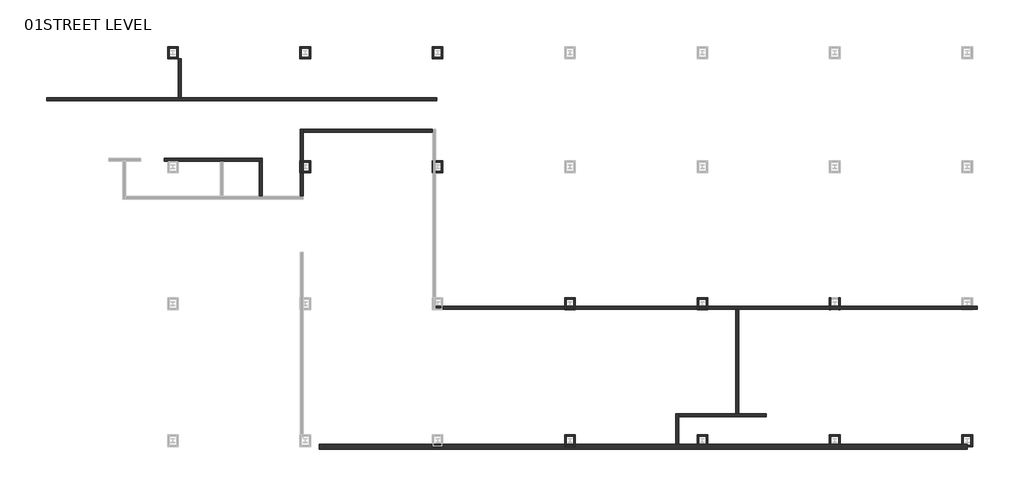
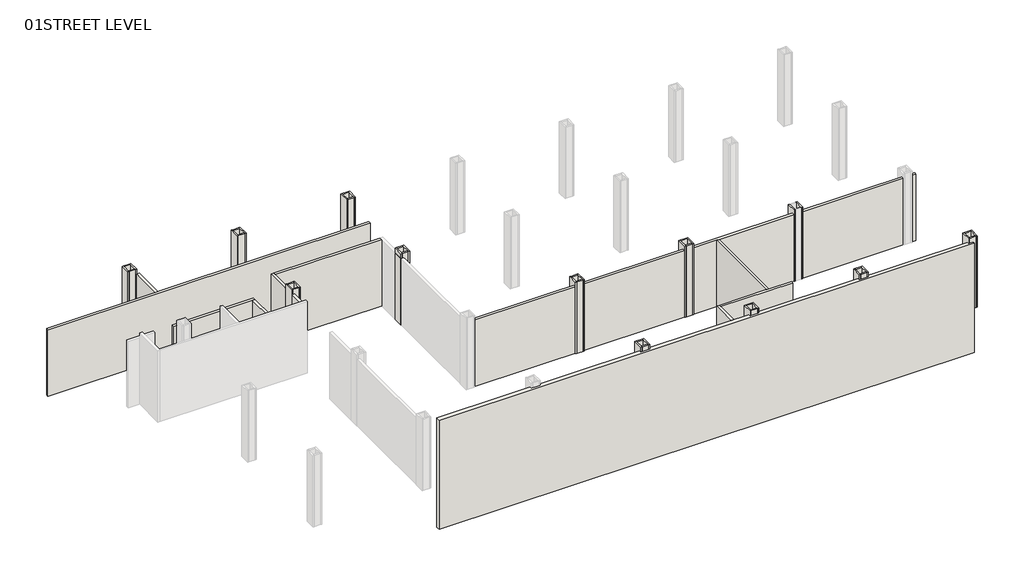
# One storey, part 2 of 4: 57 walls.
"""IFC4 building model written with IfcOpenShell, lengths in millimetres."""

from ifc_helpers import new_model, si_unit, frame, origin, place, context, project, spatial, polyline, outline, extrude, faceted_brep, element, save

model = new_model("IFC4")

# Units and contexts
model_context = context("Model", 3, world=origin())
ifc_project = project(units=[si_unit("LENGTHUNIT", "METRE", prefix="MILLI")], contexts=[model_context])

# Site, building, storey
site = spatial("IfcSite", under=ifc_project)
building = spatial("IfcBuilding", under=site)
storey = spatial("IfcBuildingStorey", under=building, Name="01STREET LEVEL", Elevation=168706.8)

# Walls
placement = place(None, origin())
element("IfcWall", 1, ObjectType="12\" exterior brick on cmu", at=placement, inside=storey, context=model_context, shape_type="SweptSolid", body=[
    extrude(outline(polyline([(95451.0147086, -49289.0532322), (52177.7056082, -49289.0532322), (52177.7056082, -48974.7282322), (95451.0147086, -48974.7282322), (95451.0147086, -49289.0532322)])), frame((0.0, 0.0, 165049.2), z_axis=(0.0, 0.0, 1.0), x_axis=(1.0, 0.0, 0.0)), (0.0, 0.0, 1.0), 9347.2),
])
element("IfcWall", 2, ObjectType="Concrete 8\"", at=placement, inside=storey, context=model_context, shape_type="SweptSolid", body=[
    extrude(outline(polyline([(48384.8147086, -30056.4907322), (41831.6147086, -30056.4907322), (41831.6147086, -29853.2907322), (48384.8147086, -29853.2907322), (48384.8147086, -30056.4907322)])), frame((0.0, 0.0, 168706.8), z_axis=(0.0, 0.0, 1.0), x_axis=(1.0, 0.0, 0.0)), (0.0, 0.0, 1.0), 5689.6),
])
element("IfcWall", 3, ObjectType="Concrete 8\"", at=placement, inside=storey, context=model_context, shape_type="SweptSolid", body=[
    extrude(outline(polyline([(48181.6147086, -32418.6907322), (48181.6147086, -30056.4907322), (48384.8147086, -30056.4907322), (48384.8147086, -32418.6907322), (48181.6147086, -32418.6907322)])), frame((0.0, 0.0, 168706.8), z_axis=(0.0, 0.0, 1.0), x_axis=(1.0, 0.0, 0.0)), (0.0, 0.0, 1.0), 5689.6),
])
element("IfcWall", 4, ObjectType="Concrete 8\"", at=placement, inside=storey, context=model_context, shape_type="SweptSolid", body=[
    extrude(outline(polyline([(50924.8147086, -32418.6907322), (50924.8147086, -27935.5907322), (51128.0147086, -27935.5907322), (51128.0147086, -32418.6907322), (50924.8147086, -32418.6907322)])), frame((0.0, 0.0, 168706.8), z_axis=(0.0, 0.0, 1.0), x_axis=(1.0, 0.0, 0.0)), (0.0, 0.0, 1.0), 5689.6),
])
element("IfcWall", 5, ObjectType="Concrete 8\"", at=placement, inside=storey, context=model_context, shape_type="Brep", body=[
    faceted_brep([(60043.4147086, -25814.6907322, 168706.8), (42974.6147086, -25814.6907322, 168706.8), (42771.4147086, -25814.6907322, 168706.8), (33983.0147086, -25814.6907322, 168706.8), (33983.0147086, -25814.6907322, 174396.4), (42771.4147086, -25814.6907322, 174396.4), (42974.6147086, -25814.6907322, 174396.4), (60043.4147086, -25814.6907322, 174396.4), (60043.4147086, -26017.8907322, 168706.8), (60043.4147086, -26017.8907322, 174396.4), (33983.0147086, -26017.8907322, 174396.4), (33983.0147086, -26017.8907322, 168706.8)], [[[0, 1, 2, 3, 4, 5, 6, 7]], [[8, 9, 10, 11]], [[3, 2, 1, 0, 8, 11]], [[4, 3, 11, 10]], [[7, 6, 5, 4, 10, 9]], [[0, 7, 9, 8]]]),
])
element("IfcWall", 6, ObjectType="Concrete 8\"", at=placement, inside=storey, context=model_context, shape_type="SweptSolid", body=[
    extrude(outline(polyline([(42771.4147086, -25814.6907322), (42771.4147086, -23223.8907322), (42974.6147086, -23223.8907322), (42974.6147086, -25814.6907322), (42771.4147086, -25814.6907322)])), frame((0.0, 0.0, 168706.8), z_axis=(0.0, 0.0, 1.0), x_axis=(1.0, 0.0, 0.0)), (0.0, 0.0, 1.0), 5689.6),
])
element("IfcWall", 7, ObjectType="Concrete 8\"", at=placement, inside=storey, context=model_context, shape_type="SweptSolid", body=[
    extrude(outline(polyline([(51128.0147086, -27935.5907322), (59764.0147086, -27935.5907322), (59764.0147086, -28138.7907322), (51128.0147086, -28138.7907322), (51128.0147086, -27935.5907322)])), frame((0.0, 0.0, 168706.8), z_axis=(0.0, 0.0, 1.0), x_axis=(1.0, 0.0, 0.0)), (0.0, 0.0, 1.0), 5689.6),
])
element("IfcWall", 8, ObjectType="Concrete 8\"", at=placement, inside=storey, context=model_context, shape_type="Brep", body=[
    faceted_brep([(96136.8147086, -39743.4157322, 168706.8), (59967.2147086, -39743.4157322, 168706.8), (59967.2147086, -39743.4157322, 174396.4), (96136.8147086, -39743.4157322, 174396.4), (96136.8147086, -39946.6157322, 168706.8), (96136.8147086, -39946.6157322, 174396.4), (80211.0147086, -39946.6157322, 174396.4), (80007.8147086, -39946.6157322, 174396.4), (59967.2147086, -39946.6157322, 174396.4), (59967.2147086, -39946.6157322, 168706.8), (80007.8147086, -39946.6157322, 168706.8), (80211.0147086, -39946.6157322, 168706.8)], [[[0, 1, 2, 3]], [[4, 5, 6, 7, 8, 9, 10, 11]], [[1, 0, 4, 11, 10, 9]], [[3, 2, 8, 7, 6, 5]], [[0, 3, 5, 4]], [[2, 1, 9, 8]]]),
])
element("IfcWall", 9, ObjectType="Concrete 8\"", at=placement, inside=storey, context=model_context, shape_type="Brep", body=[
    faceted_brep([(76197.8147086, -48974.7282322, 168706.8), (76197.8147086, -47137.9907322, 168706.8), (76197.8147086, -46934.7907322, 168706.8), (76197.8147086, -46934.7907322, 174396.4), (76197.8147086, -47137.9907322, 174396.4), (76197.8147086, -48974.7282322, 174396.4), (75994.6147086, -48974.7282322, 168706.8), (75994.6147086, -48974.7282322, 174396.4), (75994.6147086, -46934.7907322, 174396.4), (75994.6147086, -46934.7907322, 168706.8)], [[[0, 1, 2, 3, 4, 5]], [[6, 7, 8, 9]], [[2, 1, 0, 6, 9]], [[5, 4, 3, 8, 7]], [[0, 5, 7, 6]], [[3, 2, 9, 8]]]),
])
element("IfcWall", 10, ObjectType="Concrete 8\"", at=placement, inside=storey, context=model_context, shape_type="Brep", body=[
    faceted_brep([(76197.8147086, -47137.9907322, 168706.8), (82039.8147086, -47137.9907322, 168706.8), (82039.8147086, -47137.9907322, 174396.4), (76197.8147086, -47137.9907322, 174396.4), (76197.8147086, -46934.7907322, 168706.8), (76197.8147086, -46934.7907322, 174396.4), (80007.8147086, -46934.7907322, 174396.4), (80211.0147086, -46934.7907322, 174396.4), (82039.8147086, -46934.7907322, 174396.4), (82039.8147086, -46934.7907322, 168706.8), (80211.0147086, -46934.7907322, 168706.8), (80007.8147086, -46934.7907322, 168706.8)], [[[0, 1, 2, 3]], [[4, 5, 6, 7, 8, 9, 10, 11]], [[1, 0, 4, 11, 10, 9]], [[2, 1, 9, 8]], [[3, 2, 8, 7, 6, 5]], [[0, 3, 5, 4]]]),
])
element("IfcWall", 11, ObjectType="Concrete 8\"", at=placement, inside=storey, context=model_context, shape_type="SweptSolid", body=[
    extrude(outline(polyline([(80007.8147086, -46934.7907322), (80007.8147086, -39946.6157322), (80211.0147086, -39946.6157322), (80211.0147086, -46934.7907322), (80007.8147086, -46934.7907322)])), frame((0.0, 0.0, 168706.8), z_axis=(0.0, 0.0, 1.0), x_axis=(1.0, 0.0, 0.0)), (0.0, 0.0, 1.0), 5689.6),
])
element("IfcWall", 12, ObjectType="Generic - 4\" Brick", at=placement, inside=storey, context=model_context, shape_type="Brep", body=[
    faceted_brep([(42669.8147086, -22411.0907322, 168706.8), (42669.8147086, -22512.6907322, 168706.8), (42669.8147086, -23122.2907322, 168706.8), (42669.8147086, -23223.8907322, 168706.8), (42669.8147086, -23223.8907322, 174802.8), (42669.8147086, -23122.2907322, 174802.8), (42669.8147086, -22512.6907322, 174802.8), (42669.8147086, -22411.0907322, 174802.8), (42771.4147086, -22411.0907322, 168706.8), (42771.4147086, -22411.0907322, 174802.8), (42771.4147086, -23223.8907322, 174802.8), (42771.4147086, -23223.8907322, 168706.8)], [[[0, 1, 2, 3, 4, 5, 6, 7]], [[8, 9, 10, 11]], [[3, 2, 1, 0, 8, 11]], [[7, 6, 5, 4, 10, 9]], [[4, 3, 11, 10]], [[0, 7, 9, 8]]]),
])
element("IfcWall", 13, ObjectType="Generic - 4\" Brick", at=placement, inside=storey, context=model_context, shape_type="Brep", body=[
    faceted_brep([(42161.8147086, -23223.8907322, 168706.8), (42161.8147086, -23122.2907322, 168706.8), (42161.8147086, -22512.6907322, 168706.8), (42161.8147086, -22411.0907322, 168706.8), (42161.8147086, -22411.0907322, 174802.8), (42161.8147086, -22512.6907322, 174802.8), (42161.8147086, -23122.2907322, 174802.8), (42161.8147086, -23223.8907322, 174802.8), (42060.2147086, -23223.8907322, 168706.8), (42060.2147086, -23223.8907322, 174802.8), (42060.2147086, -22411.0907322, 174802.8), (42060.2147086, -22411.0907322, 168706.8)], [[[0, 1, 2, 3, 4, 5, 6, 7]], [[8, 9, 10, 11]], [[3, 2, 1, 0, 8, 11]], [[7, 6, 5, 4, 10, 9]], [[0, 7, 9, 8]], [[4, 3, 11, 10]]]),
])
element("IfcWall", 14, ObjectType="Generic - 4\" Brick", at=placement, inside=storey, context=model_context, shape_type="SweptSolid", body=[
    extrude(outline(polyline([(42669.8147086, -22512.6907322), (42161.8147086, -22512.6907322), (42161.8147086, -22411.0907322), (42669.8147086, -22411.0907322), (42669.8147086, -22512.6907322)])), frame((0.0, 0.0, 168706.8), z_axis=(0.0, 0.0, 1.0), x_axis=(1.0, 0.0, 0.0)), (0.0, 0.0, 1.0), 6096.0),
])
element("IfcWall", 15, ObjectType="Generic - 4\" Brick", at=placement, inside=storey, context=model_context, shape_type="SweptSolid", body=[
    extrude(outline(polyline([(42161.8147086, -23122.2907322), (42669.8147086, -23122.2907322), (42669.8147086, -23223.8907322), (42161.8147086, -23223.8907322), (42161.8147086, -23122.2907322)])), frame((0.0, 0.0, 168706.8), z_axis=(0.0, 0.0, 1.0), x_axis=(1.0, 0.0, 0.0)), (0.0, 0.0, 1.0), 6096.0),
])
element("IfcWall", 16, ObjectType="Generic - 4\" Brick", at=placement, inside=storey, context=model_context, shape_type="Brep", body=[
    faceted_brep([(51509.0147086, -22411.0907322, 168706.8), (51509.0147086, -22512.6907322, 168706.8), (51509.0147086, -23122.2907322, 168706.8), (51509.0147086, -23223.8907322, 168706.8), (51509.0147086, -23223.8907322, 174802.8), (51509.0147086, -23122.2907322, 174802.8), (51509.0147086, -22512.6907322, 174802.8), (51509.0147086, -22411.0907322, 174802.8), (51610.6147086, -22411.0907322, 168706.8), (51610.6147086, -22411.0907322, 174802.8), (51610.6147086, -23223.8907322, 174802.8), (51610.6147086, -23223.8907322, 168706.8)], [[[0, 1, 2, 3, 4, 5, 6, 7]], [[8, 9, 10, 11]], [[3, 2, 1, 0, 8, 11]], [[7, 6, 5, 4, 10, 9]], [[4, 3, 11, 10]], [[0, 7, 9, 8]]]),
])
element("IfcWall", 17, ObjectType="Generic - 4\" Brick", at=placement, inside=storey, context=model_context, shape_type="Brep", body=[
    faceted_brep([(51001.0147086, -23223.8907322, 168706.8), (51001.0147086, -23122.2907322, 168706.8), (51001.0147086, -22512.6907322, 168706.8), (51001.0147086, -22411.0907322, 168706.8), (51001.0147086, -22411.0907322, 174802.8), (51001.0147086, -22512.6907322, 174802.8), (51001.0147086, -23122.2907322, 174802.8), (51001.0147086, -23223.8907322, 174802.8), (50899.4147086, -23223.8907322, 168706.8), (50899.4147086, -23223.8907322, 174802.8), (50899.4147086, -22411.0907322, 174802.8), (50899.4147086, -22411.0907322, 168706.8)], [[[0, 1, 2, 3, 4, 5, 6, 7]], [[8, 9, 10, 11]], [[3, 2, 1, 0, 8, 11]], [[7, 6, 5, 4, 10, 9]], [[0, 7, 9, 8]], [[4, 3, 11, 10]]]),
])
element("IfcWall", 18, ObjectType="Generic - 4\" Brick", at=placement, inside=storey, context=model_context, shape_type="SweptSolid", body=[
    extrude(outline(polyline([(51509.0147086, -22512.6907322), (51001.0147086, -22512.6907322), (51001.0147086, -22411.0907322), (51509.0147086, -22411.0907322), (51509.0147086, -22512.6907322)])), frame((0.0, 0.0, 168706.8), z_axis=(0.0, 0.0, 1.0), x_axis=(1.0, 0.0, 0.0)), (0.0, 0.0, 1.0), 6096.0),
])
element("IfcWall", 19, ObjectType="Generic - 4\" Brick", at=placement, inside=storey, context=model_context, shape_type="SweptSolid", body=[
    extrude(outline(polyline([(51001.0147086, -23122.2907322), (51509.0147086, -23122.2907322), (51509.0147086, -23223.8907322), (51001.0147086, -23223.8907322), (51001.0147086, -23122.2907322)])), frame((0.0, 0.0, 168706.8), z_axis=(0.0, 0.0, 1.0), x_axis=(1.0, 0.0, 0.0)), (0.0, 0.0, 1.0), 6096.0),
])
element("IfcWall", 20, ObjectType="Generic - 4\" Brick", at=placement, inside=storey, context=model_context, shape_type="Brep", body=[
    faceted_brep([(51509.0147086, -30031.0907322, 168706.8), (51509.0147086, -30132.6907322, 168706.8), (51509.0147086, -30742.2907322, 168706.8), (51509.0147086, -30843.8907322, 168706.8), (51509.0147086, -30843.8907322, 174802.8), (51509.0147086, -30742.2907322, 174802.8), (51509.0147086, -30132.6907322, 174802.8), (51509.0147086, -30031.0907322, 174802.8), (51610.6147086, -30031.0907322, 168706.8), (51610.6147086, -30031.0907322, 174802.8), (51610.6147086, -30843.8907322, 174802.8), (51610.6147086, -30843.8907322, 168706.8)], [[[0, 1, 2, 3, 4, 5, 6, 7]], [[8, 9, 10, 11]], [[3, 2, 1, 0, 8, 11]], [[7, 6, 5, 4, 10, 9]], [[4, 3, 11, 10]], [[0, 7, 9, 8]]]),
])
element("IfcWall", 21, ObjectType="Generic - 4\" Brick", at=placement, inside=storey, context=model_context, shape_type="Brep", body=[
    faceted_brep([(51001.0147086, -30843.8907322, 168706.8), (51001.0147086, -30742.2907322, 168706.8), (51001.0147086, -30132.6907322, 168706.8), (51001.0147086, -30031.0907322, 168706.8), (51001.0147086, -30031.0907322, 174802.8), (51001.0147086, -30132.6907322, 174802.8), (51001.0147086, -30742.2907322, 174802.8), (51001.0147086, -30843.8907322, 174802.8), (50899.4147086, -30843.8907322, 168706.8), (50899.4147086, -30843.8907322, 174802.8), (50899.4147086, -30031.0907322, 174802.8), (50899.4147086, -30031.0907322, 168706.8)], [[[0, 1, 2, 3, 4, 5, 6, 7]], [[8, 9, 10, 11]], [[3, 2, 1, 0, 8, 11]], [[7, 6, 5, 4, 10, 9]], [[0, 7, 9, 8]], [[4, 3, 11, 10]]]),
])
element("IfcWall", 22, ObjectType="Generic - 4\" Brick", at=placement, inside=storey, context=model_context, shape_type="SweptSolid", body=[
    extrude(outline(polyline([(51509.0147086, -30132.6907322), (51001.0147086, -30132.6907322), (51001.0147086, -30031.0907322), (51509.0147086, -30031.0907322), (51509.0147086, -30132.6907322)])), frame((0.0, 0.0, 168706.8), z_axis=(0.0, 0.0, 1.0), x_axis=(1.0, 0.0, 0.0)), (0.0, 0.0, 1.0), 6096.0),
])
element("IfcWall", 23, ObjectType="Generic - 4\" Brick", at=placement, inside=storey, context=model_context, shape_type="SweptSolid", body=[
    extrude(outline(polyline([(51001.0147086, -30742.2907322), (51509.0147086, -30742.2907322), (51509.0147086, -30843.8907322), (51001.0147086, -30843.8907322), (51001.0147086, -30742.2907322)])), frame((0.0, 0.0, 168706.8), z_axis=(0.0, 0.0, 1.0), x_axis=(1.0, 0.0, 0.0)), (0.0, 0.0, 1.0), 6096.0),
])
element("IfcWall", 24, ObjectType="Generic - 4\" Brick", at=placement, inside=storey, context=model_context, shape_type="Brep", body=[
    faceted_brep([(60348.2147086, -22411.0907322, 168706.8), (60348.2147086, -22512.6907322, 168706.8), (60348.2147086, -23122.2907322, 168706.8), (60348.2147086, -23223.8907322, 168706.8), (60348.2147086, -23223.8907322, 174802.8), (60348.2147086, -23122.2907322, 174802.8), (60348.2147086, -22512.6907322, 174802.8), (60348.2147086, -22411.0907322, 174802.8), (60449.8147086, -22411.0907322, 168706.8), (60449.8147086, -22411.0907322, 174802.8), (60449.8147086, -23223.8907322, 174802.8), (60449.8147086, -23223.8907322, 168706.8)], [[[0, 1, 2, 3, 4, 5, 6, 7]], [[8, 9, 10, 11]], [[3, 2, 1, 0, 8, 11]], [[7, 6, 5, 4, 10, 9]], [[4, 3, 11, 10]], [[0, 7, 9, 8]]]),
])
element("IfcWall", 25, ObjectType="Generic - 4\" Brick", at=placement, inside=storey, context=model_context, shape_type="Brep", body=[
    faceted_brep([(59840.2147086, -23223.8907322, 168706.8), (59840.2147086, -23122.2907322, 168706.8), (59840.2147086, -22512.6907322, 168706.8), (59840.2147086, -22411.0907322, 168706.8), (59840.2147086, -22411.0907322, 174802.8), (59840.2147086, -22512.6907322, 174802.8), (59840.2147086, -23122.2907322, 174802.8), (59840.2147086, -23223.8907322, 174802.8), (59738.6147086, -23223.8907322, 168706.8), (59738.6147086, -23223.8907322, 174802.8), (59738.6147086, -22411.0907322, 174802.8), (59738.6147086, -22411.0907322, 168706.8)], [[[0, 1, 2, 3, 4, 5, 6, 7]], [[8, 9, 10, 11]], [[3, 2, 1, 0, 8, 11]], [[7, 6, 5, 4, 10, 9]], [[0, 7, 9, 8]], [[4, 3, 11, 10]]]),
])
element("IfcWall", 26, ObjectType="Generic - 4\" Brick", at=placement, inside=storey, context=model_context, shape_type="SweptSolid", body=[
    extrude(outline(polyline([(60348.2147086, -22512.6907322), (59840.2147086, -22512.6907322), (59840.2147086, -22411.0907322), (60348.2147086, -22411.0907322), (60348.2147086, -22512.6907322)])), frame((0.0, 0.0, 168706.8), z_axis=(0.0, 0.0, 1.0), x_axis=(1.0, 0.0, 0.0)), (0.0, 0.0, 1.0), 6096.0),
])
element("IfcWall", 27, ObjectType="Generic - 4\" Brick", at=placement, inside=storey, context=model_context, shape_type="SweptSolid", body=[
    extrude(outline(polyline([(59840.2147086, -23122.2907322), (60348.2147086, -23122.2907322), (60348.2147086, -23223.8907322), (59840.2147086, -23223.8907322), (59840.2147086, -23122.2907322)])), frame((0.0, 0.0, 168706.8), z_axis=(0.0, 0.0, 1.0), x_axis=(1.0, 0.0, 0.0)), (0.0, 0.0, 1.0), 6096.0),
])
element("IfcWall", 28, ObjectType="Generic - 4\" Brick", at=placement, inside=storey, context=model_context, shape_type="Brep", body=[
    faceted_brep([(60348.2147086, -30031.0907322, 168706.8), (60348.2147086, -30132.6907322, 168706.8), (60348.2147086, -30742.2907322, 168706.8), (60348.2147086, -30843.8907322, 168706.8), (60348.2147086, -30843.8907322, 174802.8), (60348.2147086, -30742.2907322, 174802.8), (60348.2147086, -30132.6907322, 174802.8), (60348.2147086, -30031.0907322, 174802.8), (60449.8147086, -30031.0907322, 168706.8), (60449.8147086, -30031.0907322, 174802.8), (60449.8147086, -30843.8907322, 174802.8), (60449.8147086, -30843.8907322, 168706.8)], [[[0, 1, 2, 3, 4, 5, 6, 7]], [[8, 9, 10, 11]], [[3, 2, 1, 0, 8, 11]], [[7, 6, 5, 4, 10, 9]], [[4, 3, 11, 10]], [[0, 7, 9, 8]]]),
])
element("IfcWall", 29, ObjectType="Generic - 4\" Brick", at=placement, inside=storey, context=model_context, shape_type="Brep", body=[
    faceted_brep([(59840.2147086, -30843.8907322, 168706.8), (59840.2147086, -30742.2907322, 168706.8), (59840.2147086, -30132.6907322, 168706.8), (59840.2147086, -30031.0907322, 168706.8), (59840.2147086, -30031.0907322, 174802.8), (59840.2147086, -30132.6907322, 174802.8), (59840.2147086, -30742.2907322, 174802.8), (59840.2147086, -30843.8907322, 174802.8), (59738.6147086, -30843.8907322, 168706.8), (59738.6147086, -30843.8907322, 174802.8), (59738.6147086, -30031.0907322, 174802.8), (59738.6147086, -30031.0907322, 168706.8)], [[[0, 1, 2, 3, 4, 5, 6, 7]], [[8, 9, 10, 11]], [[3, 2, 1, 0, 8, 11]], [[7, 6, 5, 4, 10, 9]], [[0, 7, 9, 8]], [[4, 3, 11, 10]]]),
])
element("IfcWall", 30, ObjectType="Generic - 4\" Brick", at=placement, inside=storey, context=model_context, shape_type="SweptSolid", body=[
    extrude(outline(polyline([(60348.2147086, -30132.6907322), (59840.2147086, -30132.6907322), (59840.2147086, -30031.0907322), (60348.2147086, -30031.0907322), (60348.2147086, -30132.6907322)])), frame((0.0, 0.0, 168706.8), z_axis=(0.0, 0.0, 1.0), x_axis=(1.0, 0.0, 0.0)), (0.0, 0.0, 1.0), 6096.0),
])
element("IfcWall", 31, ObjectType="Generic - 4\" Brick", at=placement, inside=storey, context=model_context, shape_type="SweptSolid", body=[
    extrude(outline(polyline([(59840.2147086, -30742.2907322), (60348.2147086, -30742.2907322), (60348.2147086, -30843.8907322), (59840.2147086, -30843.8907322), (59840.2147086, -30742.2907322)])), frame((0.0, 0.0, 168706.8), z_axis=(0.0, 0.0, 1.0), x_axis=(1.0, 0.0, 0.0)), (0.0, 0.0, 1.0), 6096.0),
])
element("IfcWall", 32, ObjectType="Generic - 4\" Brick", at=placement, inside=storey, context=model_context, shape_type="Brep", body=[
    faceted_brep([(69187.4147086, -39175.0907322, 168706.8), (69187.4147086, -39276.6907322, 168706.8), (69187.4147086, -39886.2907322, 168706.8), (69187.4147086, -39987.8907322, 168706.8), (69187.4147086, -39987.8907322, 174802.8), (69187.4147086, -39886.2907322, 174802.8), (69187.4147086, -39276.6907322, 174802.8), (69187.4147086, -39175.0907322, 174802.8), (69289.0147086, -39175.0907322, 168706.8), (69289.0147086, -39175.0907322, 174802.8), (69289.0147086, -39987.8907322, 174802.8), (69289.0147086, -39987.8907322, 168706.8)], [[[0, 1, 2, 3, 4, 5, 6, 7]], [[8, 9, 10, 11]], [[3, 2, 1, 0, 8, 11]], [[7, 6, 5, 4, 10, 9]], [[4, 3, 11, 10]], [[0, 7, 9, 8]]]),
])
element("IfcWall", 33, ObjectType="Generic - 4\" Brick", at=placement, inside=storey, context=model_context, shape_type="Brep", body=[
    faceted_brep([(68679.4147086, -39987.8907322, 168706.8), (68679.4147086, -39886.2907322, 168706.8), (68679.4147086, -39276.6907322, 168706.8), (68679.4147086, -39175.0907322, 168706.8), (68679.4147086, -39175.0907322, 174802.8), (68679.4147086, -39276.6907322, 174802.8), (68679.4147086, -39886.2907322, 174802.8), (68679.4147086, -39987.8907322, 174802.8), (68577.8147086, -39987.8907322, 168706.8), (68577.8147086, -39987.8907322, 174802.8), (68577.8147086, -39175.0907322, 174802.8), (68577.8147086, -39175.0907322, 168706.8)], [[[0, 1, 2, 3, 4, 5, 6, 7]], [[8, 9, 10, 11]], [[3, 2, 1, 0, 8, 11]], [[7, 6, 5, 4, 10, 9]], [[0, 7, 9, 8]], [[4, 3, 11, 10]]]),
])
element("IfcWall", 34, ObjectType="Generic - 4\" Brick", at=placement, inside=storey, context=model_context, shape_type="SweptSolid", body=[
    extrude(outline(polyline([(69187.4147086, -39276.6907322), (68679.4147086, -39276.6907322), (68679.4147086, -39175.0907322), (69187.4147086, -39175.0907322), (69187.4147086, -39276.6907322)])), frame((0.0, 0.0, 168706.8), z_axis=(0.0, 0.0, 1.0), x_axis=(1.0, 0.0, 0.0)), (0.0, 0.0, 1.0), 6096.0),
])
element("IfcWall", 35, ObjectType="Generic - 4\" Brick", at=placement, inside=storey, context=model_context, shape_type="SweptSolid", body=[
    extrude(outline(polyline([(68679.4147086, -39886.2907322), (69187.4147086, -39886.2907322), (69187.4147086, -39987.8907322), (68679.4147086, -39987.8907322), (68679.4147086, -39886.2907322)])), frame((0.0, 0.0, 168706.8), z_axis=(0.0, 0.0, 1.0), x_axis=(1.0, 0.0, 0.0)), (0.0, 0.0, 1.0), 6096.0),
])
element("IfcWall", 36, ObjectType="Generic - 4\" Brick", at=placement, inside=storey, context=model_context, shape_type="Brep", body=[
    faceted_brep([(69187.4147086, -48319.0907322, 168706.8), (69187.4147086, -48420.6907322, 168706.8), (69187.4147086, -49030.2907322, 168706.8), (69187.4147086, -49131.8907322, 168706.8), (69187.4147086, -49131.8907322, 174802.8), (69187.4147086, -49030.2907322, 174802.8), (69187.4147086, -48420.6907322, 174802.8), (69187.4147086, -48319.0907322, 174802.8), (69289.0147086, -48319.0907322, 168706.8), (69289.0147086, -48319.0907322, 174802.8), (69289.0147086, -49131.8907322, 174802.8), (69289.0147086, -49131.8907322, 168706.8)], [[[0, 1, 2, 3, 4, 5, 6, 7]], [[8, 9, 10, 11]], [[3, 2, 1, 0, 8, 11]], [[7, 6, 5, 4, 10, 9]], [[4, 3, 11, 10]], [[0, 7, 9, 8]]]),
])
element("IfcWall", 37, ObjectType="Generic - 4\" Brick", at=placement, inside=storey, context=model_context, shape_type="Brep", body=[
    faceted_brep([(68679.4147086, -49131.8907322, 168706.8), (68679.4147086, -49030.2907322, 168706.8), (68679.4147086, -48420.6907322, 168706.8), (68679.4147086, -48319.0907322, 168706.8), (68679.4147086, -48319.0907322, 174802.8), (68679.4147086, -48420.6907322, 174802.8), (68679.4147086, -49030.2907322, 174802.8), (68679.4147086, -49131.8907322, 174802.8), (68577.8147086, -49131.8907322, 168706.8), (68577.8147086, -49131.8907322, 174802.8), (68577.8147086, -48319.0907322, 174802.8), (68577.8147086, -48319.0907322, 168706.8)], [[[0, 1, 2, 3, 4, 5, 6, 7]], [[8, 9, 10, 11]], [[3, 2, 1, 0, 8, 11]], [[7, 6, 5, 4, 10, 9]], [[0, 7, 9, 8]], [[4, 3, 11, 10]]]),
])
element("IfcWall", 38, ObjectType="Generic - 4\" Brick", at=placement, inside=storey, context=model_context, shape_type="SweptSolid", body=[
    extrude(outline(polyline([(69187.4147086, -48420.6907322), (68679.4147086, -48420.6907322), (68679.4147086, -48319.0907322), (69187.4147086, -48319.0907322), (69187.4147086, -48420.6907322)])), frame((0.0, 0.0, 168706.8), z_axis=(0.0, 0.0, 1.0), x_axis=(1.0, 0.0, 0.0)), (0.0, 0.0, 1.0), 6096.0),
])
element("IfcWall", 39, ObjectType="Generic - 4\" Brick", at=placement, inside=storey, context=model_context, shape_type="SweptSolid", body=[
    extrude(outline(polyline([(68679.4147086, -49030.2907322), (69187.4147086, -49030.2907322), (69187.4147086, -49131.8907322), (68679.4147086, -49131.8907322), (68679.4147086, -49030.2907322)])), frame((0.0, 0.0, 168706.8), z_axis=(0.0, 0.0, 1.0), x_axis=(1.0, 0.0, 0.0)), (0.0, 0.0, 1.0), 6096.0),
])
element("IfcWall", 40, ObjectType="Generic - 4\" Brick", at=placement, inside=storey, context=model_context, shape_type="Brep", body=[
    faceted_brep([(78026.6147086, -39175.0907322, 168706.8), (78026.6147086, -39276.6907322, 168706.8), (78026.6147086, -39886.2907322, 168706.8), (78026.6147086, -39987.8907322, 168706.8), (78026.6147086, -39987.8907322, 174802.8), (78026.6147086, -39886.2907322, 174802.8), (78026.6147086, -39276.6907322, 174802.8), (78026.6147086, -39175.0907322, 174802.8), (78128.2147086, -39175.0907322, 168706.8), (78128.2147086, -39175.0907322, 174802.8), (78128.2147086, -39987.8907322, 174802.8), (78128.2147086, -39987.8907322, 168706.8)], [[[0, 1, 2, 3, 4, 5, 6, 7]], [[8, 9, 10, 11]], [[3, 2, 1, 0, 8, 11]], [[7, 6, 5, 4, 10, 9]], [[4, 3, 11, 10]], [[0, 7, 9, 8]]]),
])
element("IfcWall", 41, ObjectType="Generic - 4\" Brick", at=placement, inside=storey, context=model_context, shape_type="Brep", body=[
    faceted_brep([(77518.6147086, -39987.8907322, 168706.8), (77518.6147086, -39886.2907322, 168706.8), (77518.6147086, -39276.6907322, 168706.8), (77518.6147086, -39175.0907322, 168706.8), (77518.6147086, -39175.0907322, 174802.8), (77518.6147086, -39276.6907322, 174802.8), (77518.6147086, -39886.2907322, 174802.8), (77518.6147086, -39987.8907322, 174802.8), (77417.0147086, -39987.8907322, 168706.8), (77417.0147086, -39987.8907322, 174802.8), (77417.0147086, -39175.0907322, 174802.8), (77417.0147086, -39175.0907322, 168706.8)], [[[0, 1, 2, 3, 4, 5, 6, 7]], [[8, 9, 10, 11]], [[3, 2, 1, 0, 8, 11]], [[7, 6, 5, 4, 10, 9]], [[0, 7, 9, 8]], [[4, 3, 11, 10]]]),
])
element("IfcWall", 42, ObjectType="Generic - 4\" Brick", at=placement, inside=storey, context=model_context, shape_type="SweptSolid", body=[
    extrude(outline(polyline([(78026.6147086, -39276.6907322), (77518.6147086, -39276.6907322), (77518.6147086, -39175.0907322), (78026.6147086, -39175.0907322), (78026.6147086, -39276.6907322)])), frame((0.0, 0.0, 168706.8), z_axis=(0.0, 0.0, 1.0), x_axis=(1.0, 0.0, 0.0)), (0.0, 0.0, 1.0), 6096.0),
])
element("IfcWall", 43, ObjectType="Generic - 4\" Brick", at=placement, inside=storey, context=model_context, shape_type="SweptSolid", body=[
    extrude(outline(polyline([(77518.6147086, -39886.2907322), (78026.6147086, -39886.2907322), (78026.6147086, -39987.8907322), (77518.6147086, -39987.8907322), (77518.6147086, -39886.2907322)])), frame((0.0, 0.0, 168706.8), z_axis=(0.0, 0.0, 1.0), x_axis=(1.0, 0.0, 0.0)), (0.0, 0.0, 1.0), 6096.0),
])
element("IfcWall", 44, ObjectType="Generic - 4\" Brick", at=placement, inside=storey, context=model_context, shape_type="Brep", body=[
    faceted_brep([(78026.6147086, -48319.0907322, 168706.8), (78026.6147086, -48420.6907322, 168706.8), (78026.6147086, -49030.2907322, 168706.8), (78026.6147086, -49131.8907322, 168706.8), (78026.6147086, -49131.8907322, 174802.8), (78026.6147086, -49030.2907322, 174802.8), (78026.6147086, -48420.6907322, 174802.8), (78026.6147086, -48319.0907322, 174802.8), (78128.2147086, -48319.0907322, 168706.8), (78128.2147086, -48319.0907322, 174802.8), (78128.2147086, -49131.8907322, 174802.8), (78128.2147086, -49131.8907322, 168706.8)], [[[0, 1, 2, 3, 4, 5, 6, 7]], [[8, 9, 10, 11]], [[3, 2, 1, 0, 8, 11]], [[7, 6, 5, 4, 10, 9]], [[4, 3, 11, 10]], [[0, 7, 9, 8]]]),
])
element("IfcWall", 45, ObjectType="Generic - 4\" Brick", at=placement, inside=storey, context=model_context, shape_type="Brep", body=[
    faceted_brep([(77518.6147086, -49131.8907322, 168706.8), (77518.6147086, -49030.2907322, 168706.8), (77518.6147086, -48420.6907322, 168706.8), (77518.6147086, -48319.0907322, 168706.8), (77518.6147086, -48319.0907322, 174802.8), (77518.6147086, -48420.6907322, 174802.8), (77518.6147086, -49030.2907322, 174802.8), (77518.6147086, -49131.8907322, 174802.8), (77417.0147086, -49131.8907322, 168706.8), (77417.0147086, -49131.8907322, 174802.8), (77417.0147086, -48319.0907322, 174802.8), (77417.0147086, -48319.0907322, 168706.8)], [[[0, 1, 2, 3, 4, 5, 6, 7]], [[8, 9, 10, 11]], [[3, 2, 1, 0, 8, 11]], [[7, 6, 5, 4, 10, 9]], [[0, 7, 9, 8]], [[4, 3, 11, 10]]]),
])
element("IfcWall", 46, ObjectType="Generic - 4\" Brick", at=placement, inside=storey, context=model_context, shape_type="SweptSolid", body=[
    extrude(outline(polyline([(78026.6147086, -48420.6907322), (77518.6147086, -48420.6907322), (77518.6147086, -48319.0907322), (78026.6147086, -48319.0907322), (78026.6147086, -48420.6907322)])), frame((0.0, 0.0, 168706.8), z_axis=(0.0, 0.0, 1.0), x_axis=(1.0, 0.0, 0.0)), (0.0, 0.0, 1.0), 6096.0),
])
element("IfcWall", 47, ObjectType="Generic - 4\" Brick", at=placement, inside=storey, context=model_context, shape_type="SweptSolid", body=[
    extrude(outline(polyline([(77518.6147086, -49030.2907322), (78026.6147086, -49030.2907322), (78026.6147086, -49131.8907322), (77518.6147086, -49131.8907322), (77518.6147086, -49030.2907322)])), frame((0.0, 0.0, 168706.8), z_axis=(0.0, 0.0, 1.0), x_axis=(1.0, 0.0, 0.0)), (0.0, 0.0, 1.0), 6096.0),
])
element("IfcWall", 48, ObjectType="Generic - 4\" Brick", at=placement, inside=storey, context=model_context, shape_type="Brep", body=[
    faceted_brep([(86865.8147086, -39175.0907322, 168706.8), (86865.8147086, -39276.6907322, 168706.8), (86865.8147086, -39886.2907322, 168706.8), (86865.8147086, -39987.8907322, 168706.8), (86865.8147086, -39987.8907322, 174802.8), (86865.8147086, -39886.2907322, 174802.8), (86865.8147086, -39276.6907322, 174802.8), (86865.8147086, -39175.0907322, 174802.8), (86967.4147086, -39175.0907322, 168706.8), (86967.4147086, -39175.0907322, 174802.8), (86967.4147086, -39987.8907322, 174802.8), (86967.4147086, -39987.8907322, 168706.8)], [[[0, 1, 2, 3, 4, 5, 6, 7]], [[8, 9, 10, 11]], [[3, 2, 1, 0, 8, 11]], [[7, 6, 5, 4, 10, 9]], [[4, 3, 11, 10]], [[0, 7, 9, 8]]]),
])
element("IfcWall", 49, ObjectType="Generic - 4\" Brick", at=placement, inside=storey, context=model_context, shape_type="Brep", body=[
    faceted_brep([(86357.8147086, -39987.8907322, 168706.8), (86357.8147086, -39886.2907322, 168706.8), (86357.8147086, -39276.6907322, 168706.8), (86357.8147086, -39175.0907322, 168706.8), (86357.8147086, -39175.0907322, 174802.8), (86357.8147086, -39276.6907322, 174802.8), (86357.8147086, -39886.2907322, 174802.8), (86357.8147086, -39987.8907322, 174802.8), (86256.2147086, -39987.8907322, 168706.8), (86256.2147086, -39987.8907322, 174802.8), (86256.2147086, -39175.0907322, 174802.8), (86256.2147086, -39175.0907322, 168706.8)], [[[0, 1, 2, 3, 4, 5, 6, 7]], [[8, 9, 10, 11]], [[3, 2, 1, 0, 8, 11]], [[7, 6, 5, 4, 10, 9]], [[0, 7, 9, 8]], [[4, 3, 11, 10]]]),
])
element("IfcWall", 50, ObjectType="Generic - 4\" Brick", at=placement, inside=storey, context=model_context, shape_type="Brep", body=[
    faceted_brep([(86865.8147086, -48319.0907322, 168706.8), (86865.8147086, -48420.6907322, 168706.8), (86865.8147086, -49030.2907322, 168706.8), (86865.8147086, -49131.8907322, 168706.8), (86865.8147086, -49131.8907322, 174802.8), (86865.8147086, -49030.2907322, 174802.8), (86865.8147086, -48420.6907322, 174802.8), (86865.8147086, -48319.0907322, 174802.8), (86967.4147086, -48319.0907322, 168706.8), (86967.4147086, -48319.0907322, 174802.8), (86967.4147086, -49131.8907322, 174802.8), (86967.4147086, -49131.8907322, 168706.8)], [[[0, 1, 2, 3, 4, 5, 6, 7]], [[8, 9, 10, 11]], [[3, 2, 1, 0, 8, 11]], [[7, 6, 5, 4, 10, 9]], [[4, 3, 11, 10]], [[0, 7, 9, 8]]]),
])
element("IfcWall", 51, ObjectType="Generic - 4\" Brick", at=placement, inside=storey, context=model_context, shape_type="Brep", body=[
    faceted_brep([(86357.8147086, -49131.8907322, 168706.8), (86357.8147086, -49030.2907322, 168706.8), (86357.8147086, -48420.6907322, 168706.8), (86357.8147086, -48319.0907322, 168706.8), (86357.8147086, -48319.0907322, 174802.8), (86357.8147086, -48420.6907322, 174802.8), (86357.8147086, -49030.2907322, 174802.8), (86357.8147086, -49131.8907322, 174802.8), (86256.2147086, -49131.8907322, 168706.8), (86256.2147086, -49131.8907322, 174802.8), (86256.2147086, -48319.0907322, 174802.8), (86256.2147086, -48319.0907322, 168706.8)], [[[0, 1, 2, 3, 4, 5, 6, 7]], [[8, 9, 10, 11]], [[3, 2, 1, 0, 8, 11]], [[7, 6, 5, 4, 10, 9]], [[0, 7, 9, 8]], [[4, 3, 11, 10]]]),
])
element("IfcWall", 52, ObjectType="Generic - 4\" Brick", at=placement, inside=storey, context=model_context, shape_type="SweptSolid", body=[
    extrude(outline(polyline([(86865.8147086, -48420.6907322), (86357.8147086, -48420.6907322), (86357.8147086, -48319.0907322), (86865.8147086, -48319.0907322), (86865.8147086, -48420.6907322)])), frame((0.0, 0.0, 168706.8), z_axis=(0.0, 0.0, 1.0), x_axis=(1.0, 0.0, 0.0)), (0.0, 0.0, 1.0), 6096.0),
])
element("IfcWall", 53, ObjectType="Generic - 4\" Brick", at=placement, inside=storey, context=model_context, shape_type="SweptSolid", body=[
    extrude(outline(polyline([(86357.8147086, -49030.2907322), (86865.8147086, -49030.2907322), (86865.8147086, -49131.8907322), (86357.8147086, -49131.8907322), (86357.8147086, -49030.2907322)])), frame((0.0, 0.0, 168706.8), z_axis=(0.0, 0.0, 1.0), x_axis=(1.0, 0.0, 0.0)), (0.0, 0.0, 1.0), 6096.0),
])
element("IfcWall", 54, ObjectType="Generic - 4\" Brick", at=placement, inside=storey, context=model_context, shape_type="Brep", body=[
    faceted_brep([(95705.0147086, -48319.0907322, 168706.8), (95705.0147086, -48420.6907322, 168706.8), (95705.0147086, -49030.2907322, 168706.8), (95705.0147086, -49131.8907322, 168706.8), (95705.0147086, -49131.8907322, 174802.8), (95705.0147086, -49030.2907322, 174802.8), (95705.0147086, -48420.6907322, 174802.8), (95705.0147086, -48319.0907322, 174802.8), (95806.6147086, -48319.0907322, 168706.8), (95806.6147086, -48319.0907322, 174802.8), (95806.6147086, -49131.8907322, 174802.8), (95806.6147086, -49131.8907322, 168706.8)], [[[0, 1, 2, 3, 4, 5, 6, 7]], [[8, 9, 10, 11]], [[3, 2, 1, 0, 8, 11]], [[7, 6, 5, 4, 10, 9]], [[4, 3, 11, 10]], [[0, 7, 9, 8]]]),
])
element("IfcWall", 55, ObjectType="Generic - 4\" Brick", at=placement, inside=storey, context=model_context, shape_type="Brep", body=[
    faceted_brep([(95197.0147086, -49131.8907322, 168706.8), (95197.0147086, -49030.2907322, 168706.8), (95197.0147086, -48420.6907322, 168706.8), (95197.0147086, -48319.0907322, 168706.8), (95197.0147086, -48319.0907322, 174802.8), (95197.0147086, -48420.6907322, 174802.8), (95197.0147086, -49030.2907322, 174802.8), (95197.0147086, -49131.8907322, 174802.8), (95095.4147086, -49131.8907322, 168706.8), (95095.4147086, -49131.8907322, 174802.8), (95095.4147086, -48319.0907322, 174802.8), (95095.4147086, -48319.0907322, 168706.8)], [[[0, 1, 2, 3, 4, 5, 6, 7]], [[8, 9, 10, 11]], [[3, 2, 1, 0, 8, 11]], [[7, 6, 5, 4, 10, 9]], [[0, 7, 9, 8]], [[4, 3, 11, 10]]]),
])
element("IfcWall", 56, ObjectType="Generic - 4\" Brick", at=placement, inside=storey, context=model_context, shape_type="SweptSolid", body=[
    extrude(outline(polyline([(95705.0147086, -48420.6907322), (95197.0147086, -48420.6907322), (95197.0147086, -48319.0907322), (95705.0147086, -48319.0907322), (95705.0147086, -48420.6907322)])), frame((0.0, 0.0, 168706.8), z_axis=(0.0, 0.0, 1.0), x_axis=(1.0, 0.0, 0.0)), (0.0, 0.0, 1.0), 6096.0),
])
element("IfcWall", 57, ObjectType="Generic - 4\" Brick", at=placement, inside=storey, context=model_context, shape_type="SweptSolid", body=[
    extrude(outline(polyline([(95197.0147086, -49030.2907322), (95705.0147086, -49030.2907322), (95705.0147086, -49131.8907322), (95197.0147086, -49131.8907322), (95197.0147086, -49030.2907322)])), frame((0.0, 0.0, 168706.8), z_axis=(0.0, 0.0, 1.0), x_axis=(1.0, 0.0, 0.0)), (0.0, 0.0, 1.0), 6096.0),
])

save(model, "model.ifc")
